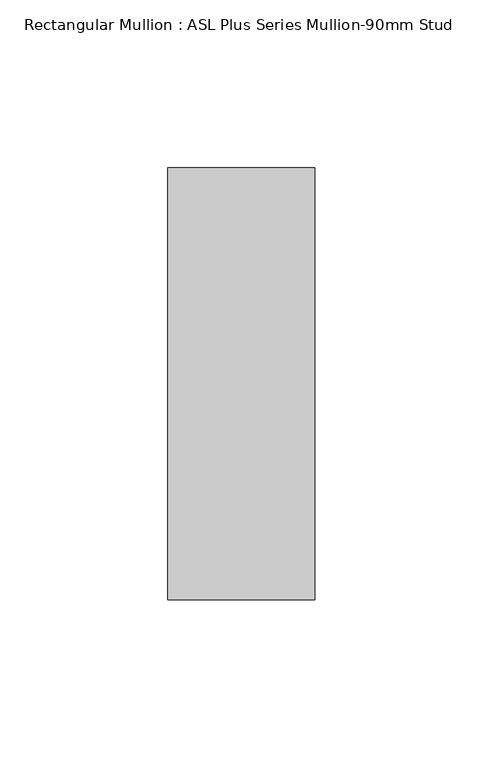
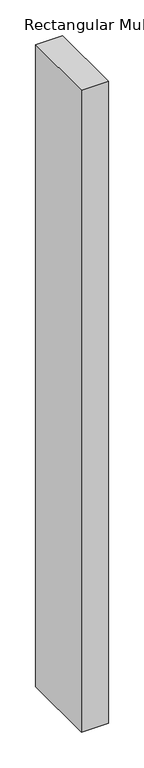
"""IFC4 building model written with IfcOpenShell, lengths in millimetres: member geometry, Rectangular Mullion : ASL Plus Series Mullion-90mm Stud."""

import ifcopenshell
import ifcopenshell.guid

model = None  # the IFC model being written
_history = None  # IfcOwnerHistory: only IFC2X3 demands one
_inside = {}  # id of a spatial element -> (the spatial element, [elements in it])
_under = {}  # id of a project, library or spatial element -> (it, [spatial elements below it])
_declared = {}  # id of a project -> (the project, [libraries it declares])
_typed = {}  # id of a type object -> (the type object, [elements of that type])
_made_of = {}  # id of a material, layer set ... -> (it, [elements and type objects made of it])


def new_model(schema):
    """Start an empty IFC model of exactly this schema.

    Asked for "IFC4X3", IfcOpenShell would pick the latest addendum, in which some entities
    have other attributes; the version numbers below select the first issue.
    IFC2X3 requires an IfcOwnerHistory on every rooted entity: one is made here for all.
    """
    global model, _history
    if schema == "IFC4X3":
        model = ifcopenshell.file(schema_version=(4, 3, 0, 0))
    else:
        model = ifcopenshell.file(schema=schema)
    _inside.clear()
    _under.clear()
    _declared.clear()
    _typed.clear()
    _made_of.clear()
    _history = None
    if model.schema == "IFC2X3":
        org = make("IfcOrganization", Name="unknown")
        user = make(
            "IfcPersonAndOrganization",
            ThePerson=make("IfcPerson", FamilyName="unknown"),
            TheOrganization=org,
        )
        app = make(
            "IfcApplication",
            ApplicationDeveloper=org,
            Version="unknown",
            ApplicationFullName="unknown",
            ApplicationIdentifier="unknown",
        )
        _history = make(
            "IfcOwnerHistory",
            OwningUser=user,
            OwningApplication=app,
            ChangeAction="ADDED",
            CreationDate=0,
        )
    return model


def make(cls, **values):
    """One entity of the class cls with the attributes given. An attribute that is None is left unset."""
    return model.create_entity(
        cls, **{name: value for name, value in values.items() if value is not None}
    )


def rooted(cls, **values):
    """An entity with a GlobalId (a new one), such as an element, a storey or a relation."""
    return make(cls, GlobalId=ifcopenshell.guid.new(), OwnerHistory=_history, **values)


def si_unit(unit_type, name, prefix=None):
    """IfcSIUnit, for example si_unit("LENGTHUNIT", "METRE", prefix="MILLI")."""
    return make("IfcSIUnit", UnitType=unit_type, Prefix=prefix, Name=name)


def assignment(units):
    """IfcUnitAssignment: the units of a project."""
    return None if units is None else make("IfcUnitAssignment", Units=units)


def point(xyz):
    """IfcCartesianPoint."""
    return None if xyz is None else make("IfcCartesianPoint", Coordinates=xyz)


def direction(xyz):
    """IfcDirection."""
    return None if xyz is None else make("IfcDirection", DirectionRatios=xyz)


def frame(location, z_axis=None, x_axis=None):
    """IfcAxis2Placement3D, a coordinate frame: its origin and axes. An axis left out is left unset."""
    return make(
        "IfcAxis2Placement3D",
        Location=point(location),
        Axis=direction(z_axis),
        RefDirection=direction(x_axis),
    )


def origin():
    """The frame at (0, 0, 0) with its axes left unset."""
    return frame((0.0, 0.0, 0.0))


def place(relative_to, where):
    """IfcLocalPlacement: puts the frame where relative to a parent placement (None: the world)."""
    return make(
        "IfcLocalPlacement", PlacementRelTo=relative_to, RelativePlacement=where
    )


def context(
    kind, dimensions, precision=None, world=None, true_north=None, identifier=None
):
    """IfcGeometricRepresentationContext, for example the 3D "Model" context."""
    return make(
        "IfcGeometricRepresentationContext",
        ContextIdentifier=identifier,
        ContextType=kind,
        CoordinateSpaceDimension=dimensions,
        Precision=precision,
        WorldCoordinateSystem=world,
        TrueNorth=true_north,
    )


def project(units=None, contexts=None):
    """IfcProject with its units and contexts."""
    return rooted(
        "IfcProject",
        Name="project",
        RepresentationContexts=contexts,
        UnitsInContext=assignment(units),
    )


def spatial(cls, under=None, at=None, **own):
    """A site, building, storey or space (cls), placed at a placement, below another one or the project."""
    s = rooted(cls, ObjectPlacement=at, **own)
    if under is not None:
        _under.setdefault(under.id(), (under, []))[1].append(s)
    return s


def polyline(points):
    """IfcPolyline through the points."""
    return make("IfcPolyline", Points=[point(p) for p in points])


def outline(outer, holes=None, kind="AREA"):
    """IfcArbitraryClosedProfileDef: a profile drawn as a closed curve; with holes, ...WithVoids."""
    if holes is None:
        return make("IfcArbitraryClosedProfileDef", ProfileType=kind, OuterCurve=outer)
    return make(
        "IfcArbitraryProfileDefWithVoids",
        ProfileType=kind,
        OuterCurve=outer,
        InnerCurves=holes,
    )


def extrude(swept, where, along, depth):
    """IfcExtrudedAreaSolid: the profile swept, set in the frame where, extruded along a direction by depth."""
    return make(
        "IfcExtrudedAreaSolid",
        SweptArea=swept,
        Position=where,
        ExtrudedDirection=direction(along),
        Depth=depth,
    )


def shape(context_of_items, identifier, shape_type, items):
    """IfcShapeRepresentation: the items that make up one representation, for example the "Body"."""
    return make(
        "IfcShapeRepresentation",
        ContextOfItems=context_of_items,
        RepresentationIdentifier=identifier,
        RepresentationType=shape_type,
        Items=items,
    )


def source(mapping_origin, context_of_items, identifier, shape_type, items):
    """IfcRepresentationMap: a shape defined once, which mapped items show again and again."""
    return make(
        "IfcRepresentationMap",
        MappingOrigin=mapping_origin,
        MappedRepresentation=shape(context_of_items, identifier, shape_type, items),
    )


def transform(
    local_origin,
    x_axis=None,
    y_axis=None,
    z_axis=None,
    scale=None,
    scale2=None,
    scale3=None,
    uniform=True,
):
    """IfcCartesianTransformationOperator3D, or its non-uniform kind. x_axis, y_axis, z_axis: its Axis1, 2, 3."""
    if uniform:
        return make(
            "IfcCartesianTransformationOperator3D",
            Axis1=direction(x_axis),
            Axis2=direction(y_axis),
            LocalOrigin=point(local_origin),
            Scale=scale,
            Axis3=direction(z_axis),
        )
    return make(
        "IfcCartesianTransformationOperator3DnonUniform",
        Axis1=direction(x_axis),
        Axis2=direction(y_axis),
        LocalOrigin=point(local_origin),
        Scale=scale,
        Axis3=direction(z_axis),
        Scale2=scale2,
        Scale3=scale3,
    )


def mapped(mapping_source, mapping_target):
    """IfcMappedItem: shows the shape of a source again, moved by a transform."""
    return make(
        "IfcMappedItem", MappingSource=mapping_source, MappingTarget=mapping_target
    )


def made_of(thing, what):
    """Note that an element or type object is made of a material, layer set ...; save() writes the relation."""
    if what is not None:
        _made_of.setdefault(what.id(), (what, []))[1].append(thing)
    return thing


def element(
    cls,
    number,
    at=None,
    inside=None,
    cuts=None,
    type_object=None,
    material=None,
    context=None,
    identifier="Body",
    shape_type=None,
    held_by="IfcProductDefinitionShape",
    body=None,
    shapes=None,
    **own,
):
    """One element of the class cls, such as IfcWall. Its Tag is "e" and its number.

    at: its placement. inside: the storey or other place that contains it. cuts: it is an
    opening in that element (IfcRelVoidsElement). A single representation is given by context,
    identifier, shape_type and body (its items); several are given by shapes. held_by: the class
    of the entity that holds the representations. save() writes the other relations.
    """
    e = rooted(cls, Tag="e%d" % number, ObjectPlacement=at, **own)
    if body is not None:
        shapes = [shape(context, identifier, shape_type, body)]
    if shapes is not None:
        e.Representation = make(held_by, Representations=shapes)
    if inside is not None:
        _inside.setdefault(inside.id(), (inside, []))[1].append(e)
    if cuts is not None:
        rooted(
            "IfcRelVoidsElement", RelatingBuildingElement=cuts, RelatedOpeningElement=e
        )
    if type_object is not None:
        _typed.setdefault(type_object.id(), (type_object, []))[1].append(e)
    return made_of(e, material)


def aggregate(whole, parts):
    """IfcRelAggregates: a whole, such as a stair, and the parts it consists of."""
    return rooted("IfcRelAggregates", RelatingObject=whole, RelatedObjects=parts)


def save(model, path):
    """Write the relations noted so far, then the file.

    IfcRelAggregates (storeys below a building ...), IfcRelContainedInSpatialStructure (elements
    in a storey), IfcRelDefinesByType, IfcRelAssociatesMaterial and IfcRelDeclares: one each for
    every whole, place, type object, material and project.
    """
    for whole, parts in _under.values():
        aggregate(whole, parts)
    for where, things in _inside.values():
        rooted(
            "IfcRelContainedInSpatialStructure",
            RelatedElements=things,
            RelatingStructure=where,
        )
    for kind, things in _typed.values():
        rooted("IfcRelDefinesByType", RelatedObjects=things, RelatingType=kind)
    for what, things in _made_of.values():
        rooted("IfcRelAssociatesMaterial", RelatedObjects=things, RelatingMaterial=what)
    for by, libraries in _declared.values():
        rooted("IfcRelDeclares", RelatingContext=by, RelatedDefinitions=libraries)
    model.write(path)


def rectangular_mullion_asl_plus_series_mullion_90mm_stud_af7bc27b(model_context):
    return source(origin(), model_context, "Body", "SweptSolid", [
        extrude(outline(polyline([(22.0, 64.5), (22.0, -64.5), (-22.0, -64.5), (-22.0, 64.5), (22.0, 64.5)])), frame((0.0, 0.0, -1100.0), z_axis=(0.0, 0.0, 1.0), x_axis=(1.0, 0.0, 0.0)), (0.0, 0.0, 1.0), 1100.0),
    ])


if __name__ == "__main__":
    model = new_model("IFC4")
    model_context = context("Model", 3, world=origin())
    ifc_project = project(units=[si_unit("LENGTHUNIT", "METRE", prefix="MILLI")], contexts=[model_context])
    site = spatial("IfcSite", under=ifc_project)
    building = spatial("IfcBuilding", under=site)
    placement = place(None, origin())
    rectangular_mullion_asl_plus_series_mullion_90mm_stud_shape = rectangular_mullion_asl_plus_series_mullion_90mm_stud_af7bc27b(model_context)
    element("IfcMember", 1, ObjectType="Rectangular Mullion : ASL Plus Series Mullion-90mm Stud", at=placement, inside=building, context=model_context, shape_type="MappedRepresentation", body=[
        mapped(rectangular_mullion_asl_plus_series_mullion_90mm_stud_shape, transform((0.0, 0.0, 0.0), x_axis=(1.0, 0.0, 0.0), y_axis=(0.0, 1.0, 0.0), z_axis=(0.0, 0.0, 1.0))),
    ])
    save(model, "model.ifc")
